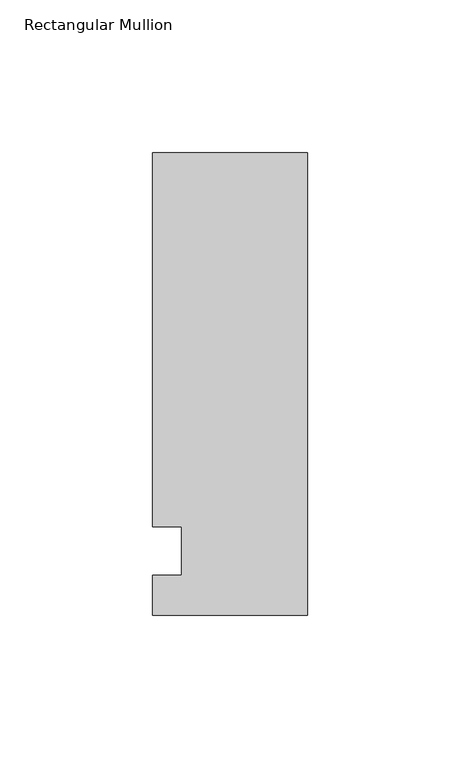
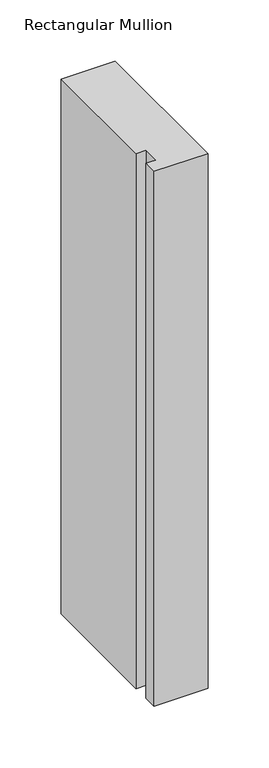
"""IFC4 building model written with IfcOpenShell, lengths in millimetres: member geometry, Rectangular Mullion."""

from ifc_helpers import new_model, si_unit, frame, origin, place, context, project, spatial, polyline, outline, extrude, source, transform, mapped, element, save


def rectangular_mullion_561ad2cc(model_context):
    return source(origin(), model_context, "Body", "SweptSolid", [
        extrude(outline(polyline([(-50.8, -25.7961253), (-50.8, -12.7), (-41.275, -12.7), (-41.275, 3.175), (-50.8, 3.175), (-50.8, 125.8036906), (0.0, 125.8036906), (0.0, -25.7961253), (-50.8, -25.7961253)])), frame((0.0, 0.0, -533.4), z_axis=(0.0, 0.0, 1.0), x_axis=(1.0, 0.0, 0.0)), (0.0, 0.0, 1.0), 533.4),
    ])


if __name__ == "__main__":
    model = new_model("IFC4")
    model_context = context("Model", 3, world=origin())
    ifc_project = project(units=[si_unit("LENGTHUNIT", "METRE", prefix="MILLI")], contexts=[model_context])
    site = spatial("IfcSite", under=ifc_project)
    building = spatial("IfcBuilding", under=site)
    placement = place(None, origin())
    rectangular_mullion_shape = rectangular_mullion_561ad2cc(model_context)
    element("IfcMember", 1, ObjectType="Rectangular Mullion", at=placement, inside=building, context=model_context, shape_type="MappedRepresentation", body=[
        mapped(rectangular_mullion_shape, transform((0.0, 0.0, 0.0), x_axis=(1.0, 0.0, 0.0), y_axis=(0.0, 1.0, 0.0), z_axis=(0.0, 0.0, 1.0))),
    ])
    save(model, "model.ifc")
